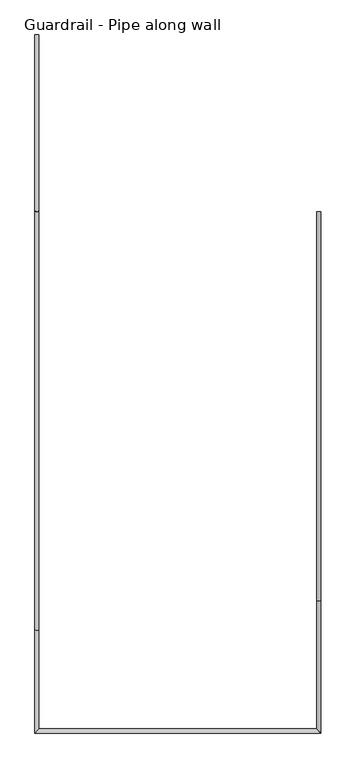
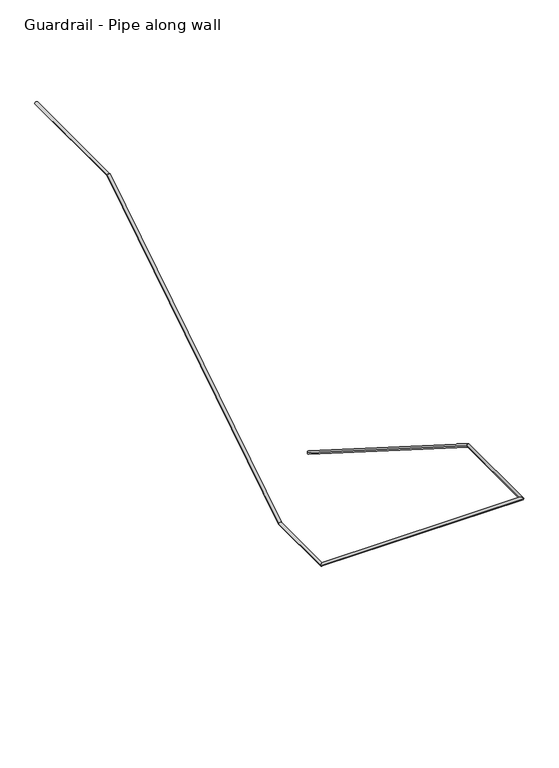
"""IFC4 building model written with IfcOpenShell, lengths in millimetres: railing geometry, Guardrail - Pipe along wall."""

from ifc_helpers import new_model, si_unit, frame, origin, place, context, project, spatial, circle_curve, ellipse_curve, source, transform, mapped, element, save
from ifc_brep_helpers import plane_surface, cylinder_surface, advanced_brep


def guardrail_pipe_along_wall_de8bb528(model_context):
    return source(origin(), model_context, "Body", "AdvancedBrep", [
        advanced_brep(
        [(488214.7754676, -251283.0080223, 916.3134838), (488252.8754676, -251283.0080223, 916.3134838), (488252.8754676, -254920.7306039, 3218.9796296), (488214.7754676, -254920.7306039, 3218.9796296), (488252.8754676, -256153.4580223, 3218.9796296), (488214.7754676, -256115.3580223, 3218.9796296), (485581.855137, -256153.4580223, 3218.9796296), (485619.955137, -256115.3580223, 3218.9796296), (485581.855137, -255189.0854408, 3218.9796296), (485619.955137, -255189.0854408, 3218.9796296), (485581.855137, -251277.4854408, 5695.0092593), (485619.955137, -251277.4854408, 5695.0092593), (485619.955137, -249632.0080223, 5695.0092593), (485581.855137, -249632.0080223, 5695.0092593)],
        [
            (0, 1, ellipse_curve(frame((488233.8254676, -251283.0080223, 916.3134838), z_axis=(0.0, 1.0, 0.0), x_axis=(0.0, 0.0, -1.0)), 22.5457755, 19.05)),
            (1, 0, ellipse_curve(frame((488233.8254676, -251283.0080223, 916.3134838), z_axis=(0.0, 1.0, 0.0), x_axis=(0.0, 0.0, -1.0)), 22.5457755, 19.05)),
            (1, 2),
            (2, 3, ellipse_curve(frame((488233.8254676, -254920.7306039, 3218.9796296), z_axis=(0.0, 0.9604550090529085, -0.2784352269113543), x_axis=(0.0, -0.278435226911354, -0.9604550090529086)), 19.8343492, 19.05)),
            (3, 0),
            (3, 2, ellipse_curve(frame((488233.8254676, -254920.7306039, 3218.9796296), z_axis=(0.0, 0.9604550090529085, -0.2784352269113543), x_axis=(0.0, -0.278435226911354, -0.9604550090529086)), 19.8343492, 19.05)),
            (2, 4),
            (4, 5, ellipse_curve(frame((488233.8254676, -256134.4080223, 3218.9796296), z_axis=(0.7071067811865475, 0.7071067811865475, 0.0), x_axis=(-0.7071067811865474, 0.7071067811865476, 0.0)), 26.9407684, 19.05)),
            (5, 3),
            (5, 4, ellipse_curve(frame((488233.8254676, -256134.4080223, 3218.9796296), z_axis=(0.7071067811865475, 0.7071067811865475, 0.0), x_axis=(-0.7071067811865474, 0.7071067811865476, 0.0)), 26.9407684, 19.05)),
            (4, 6),
            (6, 7, ellipse_curve(frame((485600.905137, -256134.4080223, 3218.9796296), z_axis=(0.7071067811865475, -0.7071067811865475, 0.0), x_axis=(0.7071067811865476, 0.7071067811865474, 0.0)), 26.9407684, 19.05)),
            (7, 5),
            (7, 6, ellipse_curve(frame((485600.905137, -256134.4080223, 3218.9796296), z_axis=(0.7071067811865475, -0.7071067811865475, 0.0), x_axis=(0.7071067811865476, 0.7071067811865474, 0.0)), 26.9407684, 19.05)),
            (6, 8),
            (8, 9, ellipse_curve(frame((485600.905137, -255189.0854408, 3218.9796296), z_axis=(0.0, -0.9604550090529084, -0.2784352269113549), x_axis=(0.0, -0.27843522691135497, 0.9604550090529085)), 19.8343492, 19.05)),
            (9, 7),
            (9, 8, ellipse_curve(frame((485600.905137, -255189.0854408, 3218.9796296), z_axis=(0.0, -0.9604550090529084, -0.2784352269113549), x_axis=(0.0, -0.27843522691135497, 0.9604550090529085)), 19.8343492, 19.05)),
            (8, 10),
            (10, 11, ellipse_curve(frame((485600.905137, -251277.4854408, 5695.0092593), z_axis=(0.0, -0.9604550090529084, -0.2784352269113549), x_axis=(0.0, 0.27843522691135497, -0.9604550090529085)), 19.8343492, 19.05)),
            (11, 9),
            (11, 10, ellipse_curve(frame((485600.905137, -251277.4854408, 5695.0092593), z_axis=(0.0, -0.9604550090529084, -0.2784352269113549), x_axis=(0.0, 0.27843522691135497, -0.9604550090529085)), 19.8343492, 19.05)),
            (12, 13, circle_curve(frame((485600.905137, -249632.0080223, 5695.0092593), z_axis=(0.0, 1.0, 0.0), x_axis=(-1.0, 0.0, 0.0)), 19.05)),
            (13, 12, circle_curve(frame((485600.905137, -249632.0080223, 5695.0092593), z_axis=(0.0, 1.0, 0.0), x_axis=(-1.0, 0.0, 0.0)), 19.05)),
            (10, 13),
            (12, 11),
        ],
        [
            plane_surface(frame((488233.8254676, -251283.0080223, 938.8592593), z_axis=(0.0, 1.0, 0.0), x_axis=(0.0, 0.0, -1.0))),
            cylinder_surface(frame((488233.8254676, -251293.1968961, 922.7630065), z_axis=(0.0, 0.8449476488296452, -0.5348490167675869), x_axis=(1.0, 0.0, 0.0)), 19.05),
            cylinder_surface(frame((488233.8254676, -254915.2080223, 3218.9796296), z_axis=(0.0, 1.0, 0.0), x_axis=(1.0, 0.0, 0.0)), 19.05),
            cylinder_surface(frame((488233.8254676, -256134.4080223, 3218.9796296), z_axis=(1.0, 0.0, 0.0), x_axis=(0.0, -1.0, 0.0)), 19.05),
            cylinder_surface(frame((485600.905137, -256134.4080223, 3218.9796296), z_axis=(0.0, -1.0, 0.0), x_axis=(-1.0, 0.0, 0.0)), 19.05),
            cylinder_surface(frame((485600.905137, -255184.4191486, 3221.9333769), z_axis=(0.0, -0.8449476488296446, -0.534849016767588), x_axis=(-1.0, 0.0, 0.0)), 19.05),
            plane_surface(frame((485600.905137, -249632.0080223, 5714.0592593), z_axis=(0.0, 1.0, 0.0), x_axis=(0.0, 0.0, 1.0))),
            cylinder_surface(frame((485600.905137, -251283.0080223, 5695.0092593), z_axis=(0.0, -1.0, 0.0), x_axis=(-1.0, 0.0, 0.0)), 19.05),
        ],
        [
            (0, [[1, 2]]),
            (1, [[-2, 3, 4, 5]]),
            (1, [[-1, -5, 6, -3]]),
            (2, [[-4, 7, 8, 9]]),
            (2, [[-6, -9, 10, -7]]),
            (3, [[-8, 11, 12, 13]]),
            (3, [[-10, -13, 14, -11]]),
            (4, [[-12, 15, 16, 17]]),
            (4, [[-14, -17, 18, -15]]),
            (5, [[-16, 19, 20, 21]]),
            (5, [[-18, -21, 22, -19]]),
            (6, [[23, 24]]),
            (7, [[-20, 25, -23, 26]]),
            (7, [[-22, -26, -24, -25]]),
        ],
    ),
    ])


if __name__ == "__main__":
    model = new_model("IFC4")
    model_context = context("Model", 3, world=origin())
    ifc_project = project(units=[si_unit("LENGTHUNIT", "METRE", prefix="MILLI")], contexts=[model_context])
    site = spatial("IfcSite", under=ifc_project)
    building = spatial("IfcBuilding", under=site)
    placement = place(None, origin())
    guardrail_pipe_along_wall_shape = guardrail_pipe_along_wall_de8bb528(model_context)
    element("IfcRailing", 1, ObjectType="Guardrail - Pipe along wall", at=placement, inside=building, context=model_context, shape_type="MappedRepresentation", body=[
        mapped(guardrail_pipe_along_wall_shape, transform((0.0, 0.0, 0.0), x_axis=(1.0, 0.0, 0.0), y_axis=(0.0, 1.0, 0.0), z_axis=(0.0, 0.0, 1.0))),
    ])
    save(model, "model.ifc")
